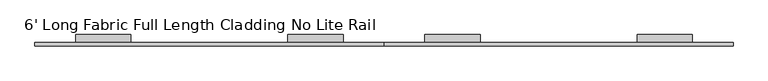
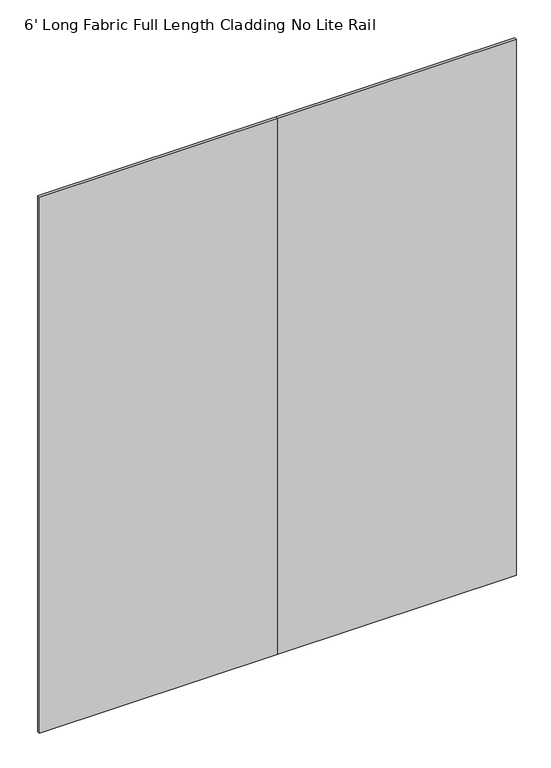
"""IFC4 building model written with IfcOpenShell, lengths in millimetres: furniture geometry, 6' Long Fabric Full Length Cladding No Lite Rail."""

from ifc_helpers import new_model, si_unit, frame, origin, place, context, project, spatial, polyline, outline, extrude, source, transform, mapped, element, save


def furniture_6_long_fabric_full_length_cladding_no_lite_rail_5bef3a57(model_context):
    return source(origin(), model_context, "Body", "SweptSolid", [
        extrude(outline(polyline([(914.4, -4.7752), (914.4, 4.7498), (1828.8, 4.7498), (1828.8, -4.7752), (914.4, -4.7752)])), frame((0.0, 0.0, 12.7), z_axis=(0.0, 0.0, 1.0), x_axis=(1.0, 0.0, 0.0)), (0.0, 0.0, 1.0), 2173.6010468),
        extrude(outline(polyline([(0.0, -4.7752), (0.0, 4.7498), (914.4, 4.7498), (914.4, -4.7752), (0.0, -4.7752)])), frame((0.0, 0.0, 12.7), z_axis=(0.0, 0.0, 1.0), x_axis=(1.0, 0.0, 0.0)), (0.0, 0.0, 1.0), 2173.6010468),
        extrude(outline(polyline([(4.7498, 2116.3226334), (24.8177997, 2116.3226334), (24.8177997, 2115.4106251), (5.6618003, 2115.4106251), (5.6618003, 2083.5286322), (24.8177997, 2083.5286322), (24.8177997, 2079.4995474), (5.6618003, 2079.4995474), (5.6618003, 2013.998531), (4.7498, 2013.998531), (4.7498, 2116.3226334)])), frame((1021.7200118, 0.0, 0.0), z_axis=(1.0, 0.0, 0.0), x_axis=(0.0, 1.0, 0.0)), (0.0, 0.0, 1.0), 144.4200002),
        extrude(outline(polyline([(4.7498, 2114.7370525), (24.8177997, 2114.7370525), (24.8177997, 2113.8250443), (5.6618003, 2113.8250443), (5.6618003, 2081.9430513), (24.8177997, 2081.9430513), (24.8177997, 2077.9139665), (5.6618003, 2077.9139665), (5.6618003, 2012.4120483), (4.7498, 2012.4120483), (4.7498, 2114.7370525)])), frame((1577.300017, 0.0, 0.0), z_axis=(1.0, 0.0, 0.0), x_axis=(0.0, 1.0, 0.0)), (0.0, 0.0, 1.0), 144.4200002),
        extrude(outline(polyline([(4.7498, 2116.3245525), (24.8177997, 2116.3245525), (24.8177997, 2115.4125443), (5.6618003, 2115.4125443), (5.6618003, 2083.5305513), (24.8177997, 2083.5305513), (24.8177997, 2079.5014665), (5.6618003, 2079.5014665), (5.6618003, 2013.9995483), (4.7498, 2013.9995483), (4.7498, 2116.3245525)])), frame((662.659988, 0.0, 0.0), z_axis=(1.0, 0.0, 0.0), x_axis=(0.0, 1.0, 0.0)), (0.0, 0.0, 1.0), 144.4200002),
        extrude(outline(polyline([(4.7498, 2116.3226334), (24.8177997, 2116.3226334), (24.8177997, 2115.4106251), (5.6618003, 2115.4106251), (5.6618003, 2083.5286322), (24.8177997, 2083.5286322), (24.8177997, 2079.4995474), (5.6618003, 2079.4995474), (5.6618003, 2013.998531), (4.7498, 2013.998531), (4.7498, 2116.3226334)])), frame((107.0799829, 0.0, 0.0), z_axis=(1.0, 0.0, 0.0), x_axis=(0.0, 1.0, 0.0)), (0.0, 0.0, 1.0), 144.4200002),
    ])


if __name__ == "__main__":
    model = new_model("IFC4")
    model_context = context("Model", 3, world=origin())
    ifc_project = project(units=[si_unit("LENGTHUNIT", "METRE", prefix="MILLI")], contexts=[model_context])
    site = spatial("IfcSite", under=ifc_project)
    building = spatial("IfcBuilding", under=site)
    placement = place(None, origin())
    furniture_6_long_fabric_full_length_cladding_no_lite_rail_shape = furniture_6_long_fabric_full_length_cladding_no_lite_rail_5bef3a57(model_context)
    element("IfcFurniture", 1, ObjectType="6' Long Fabric Full Length Cladding No Lite Rail", at=placement, inside=building, context=model_context, shape_type="MappedRepresentation", body=[
        mapped(furniture_6_long_fabric_full_length_cladding_no_lite_rail_shape, transform((0.0, 0.0, 0.0), x_axis=(1.0, 0.0, 0.0), y_axis=(0.0, 1.0, 0.0), z_axis=(0.0, 0.0, 1.0))),
    ])
    save(model, "model.ifc")
